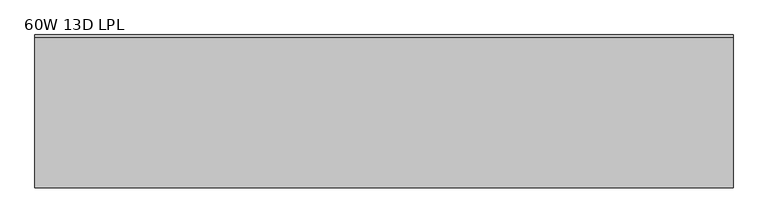
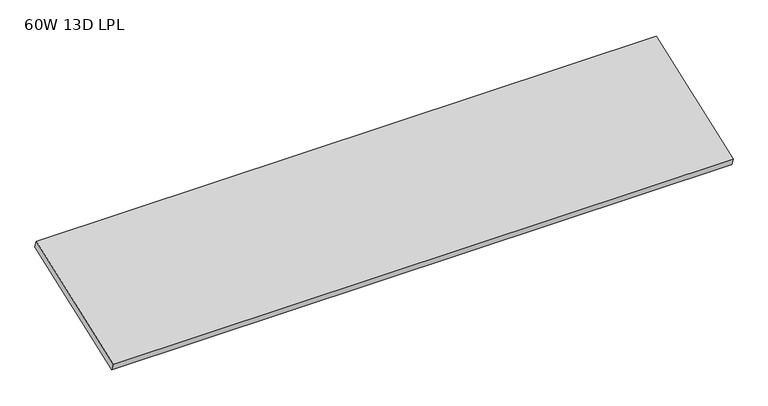
"""IFC4 building model written with IfcOpenShell, lengths in millimetres: furniture geometry, 60W 13D LPL."""

from ifc_helpers import new_model, si_unit, frame, origin, place, context, project, spatial, polyline, outline, extrude, source, transform, mapped, element, save


def furniture_60w_13d_lpl_129944f6(model_context):
    return source(origin(), model_context, "Body", "SweptSolid", [
        extrude(outline(polyline([(0.0, -348.7270613), (0.0, 0.0), (1524.0, 0.0), (1524.0, -348.7270613), (0.0, -348.7270613)])), frame((1524.0, -327.025, 2161.4576847), z_axis=(0.0, -0.3472630154286159, 0.9377677740866472), x_axis=(-1.0, 0.0, 0.0)), (0.0, 0.0, 1.0), 19.304),
    ])


if __name__ == "__main__":
    model = new_model("IFC4")
    model_context = context("Model", 3, world=origin())
    ifc_project = project(units=[si_unit("LENGTHUNIT", "METRE", prefix="MILLI")], contexts=[model_context])
    site = spatial("IfcSite", under=ifc_project)
    building = spatial("IfcBuilding", under=site)
    placement = place(None, origin())
    furniture_60w_13d_lpl_shape = furniture_60w_13d_lpl_129944f6(model_context)
    element("IfcFurniture", 1, ObjectType="60W 13D LPL", at=placement, inside=building, context=model_context, shape_type="MappedRepresentation", body=[
        mapped(furniture_60w_13d_lpl_shape, transform((0.0, 0.0, 0.0), x_axis=(1.0, 0.0, 0.0), y_axis=(0.0, 1.0, 0.0), z_axis=(0.0, 0.0, 1.0))),
    ])
    save(model, "model.ifc")
